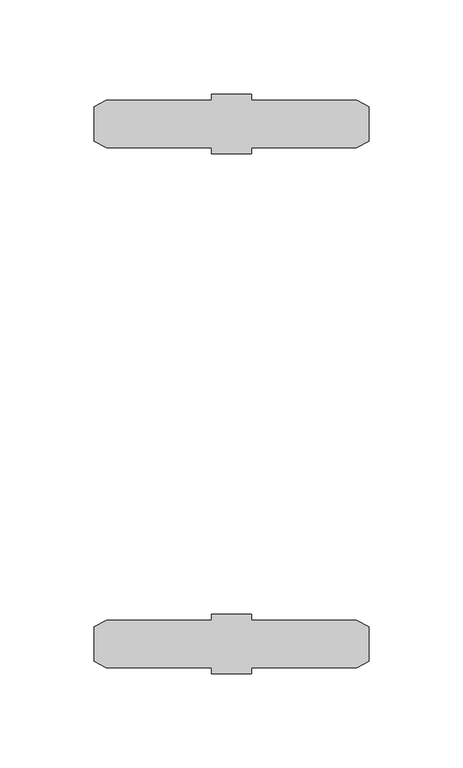
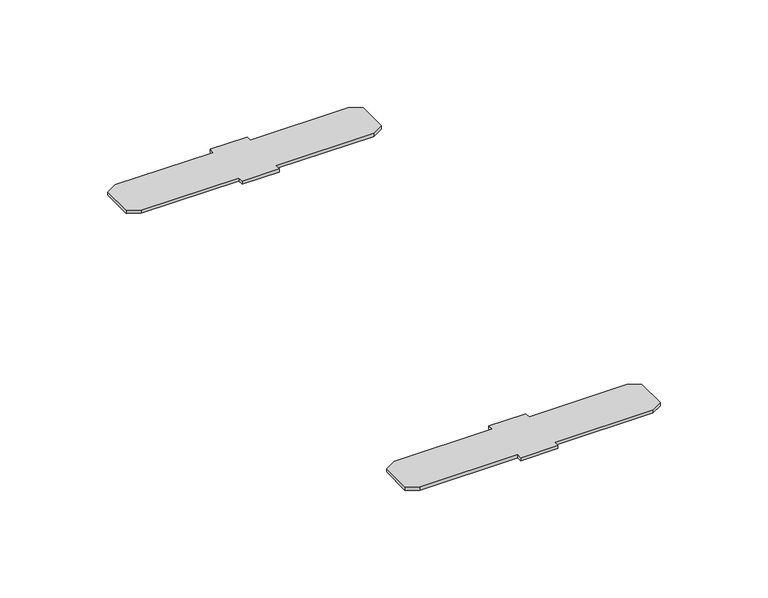
"""IFC4 building model written with IfcOpenShell, lengths in millimetres: furniture geometry."""

from ifc_helpers import new_model, si_unit, frame, origin, place, context, project, spatial, polyline, outline, extrude, source, transform, mapped, element, save


def furniture_788004ac(model_context):
    return source(origin(), model_context, "Body", "SweptSolid", [
        extrude(outline(polyline([(-10.8902498, -65.0875015), (-10.8902498, -61.937612), (10.3187504, -61.937612), (10.3187504, -65.0875015), (66.389248, -65.0875015), (72.739251, -68.7536749), (72.739251, -86.8718413), (66.1290077, -90.5128982), (10.3187504, -90.5128982), (10.3187504, -93.6879042), (-10.8902498, -93.6879042), (-10.8902498, -90.5128982), (-66.7005072, -90.5128982), (-73.3107505, -86.8718413), (-73.3107505, -68.7536749), (-66.960752, -65.0875015), (-10.8902498, -65.0875015)])), frame((0.0, 0.0, 708.2281564), z_axis=(0.0, 0.0, 1.0), x_axis=(1.0, 0.0, 0.0)), (0.0, 0.0, 1.0), 1.9050436),
        extrude(outline(polyline([(-10.8902498, -366.7125045), (-66.960752, -366.7125045), (-73.3107505, -363.0463312), (-73.3107505, -344.9281647), (-66.7005072, -341.2871079), (-10.8902498, -341.2871079), (-10.8902498, -338.1121018), (10.3187504, -338.1121018), (10.3187504, -341.2871079), (66.1290077, -341.2871079), (72.739251, -344.9281647), (72.739251, -363.0463312), (66.389248, -366.7125045), (10.3187504, -366.7125045), (10.3187504, -369.862394), (-10.8902498, -369.862394), (-10.8902498, -366.7125045)])), frame((0.0, 0.0, 708.2281564), z_axis=(0.0, 0.0, 1.0), x_axis=(1.0, 0.0, 0.0)), (0.0, 0.0, 1.0), 1.9050436),
    ])


if __name__ == "__main__":
    model = new_model("IFC4")
    model_context = context("Model", 3, world=origin())
    ifc_project = project(units=[si_unit("LENGTHUNIT", "METRE", prefix="MILLI")], contexts=[model_context])
    site = spatial("IfcSite", under=ifc_project)
    building = spatial("IfcBuilding", under=site)
    placement = place(None, origin())
    furniture_shape = furniture_788004ac(model_context)
    element("IfcFurniture", 1, at=placement, inside=building, context=model_context, shape_type="MappedRepresentation", body=[
        mapped(furniture_shape, transform((0.0, 0.0, 0.0), x_axis=(1.0, 0.0, 0.0), y_axis=(0.0, 1.0, 0.0), z_axis=(0.0, 0.0, 1.0))),
    ])
    save(model, "model.ifc")
